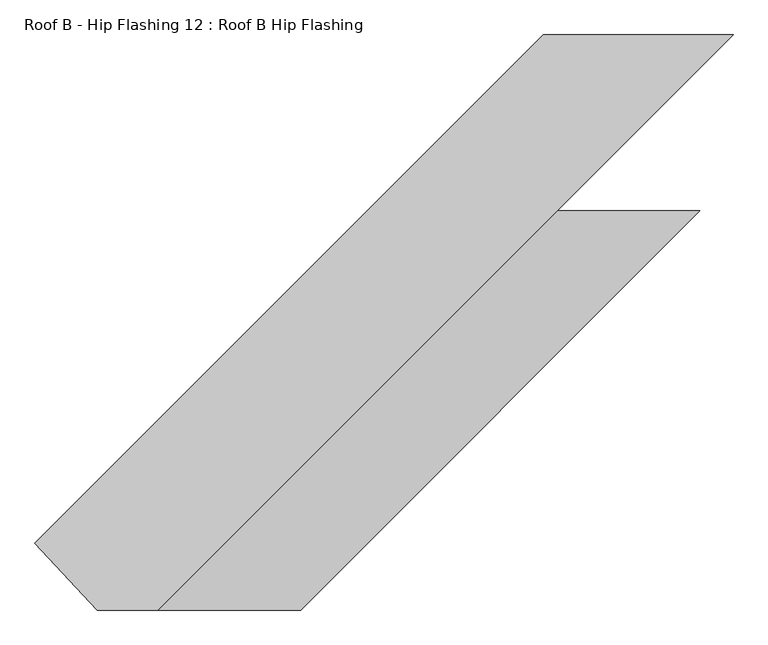
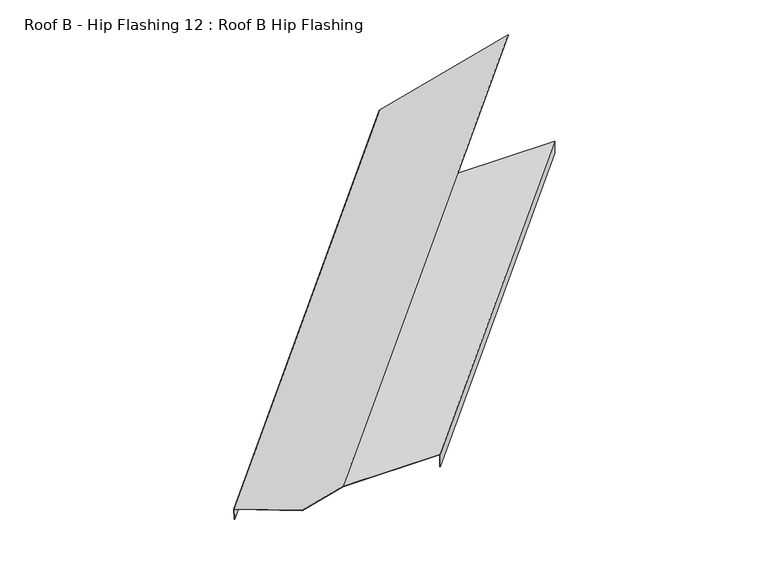
"""IFC4 building model written with IfcOpenShell, lengths in millimetres: proxy geometry, Roof B - Hip Flashing 12 : Roof B Hip Flashing."""

from ifc_helpers import new_model, si_unit, origin, place, context, project, spatial, faceted_brep, source, transform, mapped, element, save


def roof_b_hip_flashing_12_roof_b_hip_flashing_f48a0c53(model_context):
    return source(origin(), model_context, "Body", "Brep", [
        faceted_brep([(-6660.6028459, -33010.3933415, 3218.0023302), (-6654.8355325, -33004.626028, 3174.9545168), (-6653.7041616, -33005.7573989, 3174.9545168), (-6659.2964514, -33011.3496886, 3216.6959357), (-6512.5591398, -33168.6222652, 3256.0140798), (-6512.9732503, -33168.6222652, 3257.5595611), (-5457.8453953, -31807.6358908, 3540.2802178), (-5457.8453953, -31807.6358908, 3495.6870574), (-6369.3186536, -33168.6222652, 3296.0516943), (-5425.0014988, -32224.3051103, 3549.0807133), (-5008.3249581, -31807.6437376, 3660.7288559), (-6031.0376816, -33168.6222652, 3296.0516943), (-5086.7205267, -32224.3051103, 3549.0807133), (-6031.0376816, -33168.6222652, 3250.2511023), (-5086.7205267, -32224.3051103, 3503.2801213), (-6033.3004233, -33168.6222652, 3249.9479524), (-5088.9832684, -32224.3051103, 3502.9769714), (-5455.5826536, -31807.6358908, 3495.9902073), (-6033.3004233, -33168.6222652, 3294.3952524), (-5088.9832684, -32224.3051103, 3547.4242715), (-6369.3186536, -33168.6222652, 3294.3952524), (-5425.0014988, -32224.3051103, 3547.4242715), (-5455.5826536, -31807.6358908, 3539.2300757), (-5008.3322793, -31807.6358908, 3659.0704523)], [[[0, 1, 2, 3, 4, 5]], [[1, 0, 6, 7]], [[0, 5, 8, 9, 10, 6]], [[8, 11, 12, 9]], [[11, 13, 14, 12]], [[13, 15, 16, 14]], [[2, 1, 7, 17]], [[15, 18, 19, 16]], [[18, 20, 21, 19]], [[4, 3, 22, 23, 21, 20]], [[3, 2, 17, 22]], [[5, 4, 20, 18, 15, 13, 11, 8]], [[7, 6, 10, 23, 22, 17]], [[9, 21, 23, 10]], [[21, 9, 12, 14, 16, 19]]]),
    ])


if __name__ == "__main__":
    model = new_model("IFC4")
    model_context = context("Model", 3, world=origin())
    ifc_project = project(units=[si_unit("LENGTHUNIT", "METRE", prefix="MILLI")], contexts=[model_context])
    site = spatial("IfcSite", under=ifc_project)
    building = spatial("IfcBuilding", under=site)
    placement = place(None, origin())
    roof_b_hip_flashing_12_roof_b_hip_flashing_shape = roof_b_hip_flashing_12_roof_b_hip_flashing_f48a0c53(model_context)
    element("IfcBuildingElementProxy", 1, Name="Roof B - Hip Flashing 12 : Roof B Hip Flashing", ObjectType="Roof B - Hip Flashing 12 : Roof B Hip Flashing", at=placement, inside=building, context=model_context, shape_type="MappedRepresentation", body=[
        mapped(roof_b_hip_flashing_12_roof_b_hip_flashing_shape, transform((0.0, 0.0, 0.0), x_axis=(1.0, 0.0, 0.0), y_axis=(0.0, 1.0, 0.0), z_axis=(0.0, 0.0, 1.0))),
    ])
    save(model, "model.ifc")
